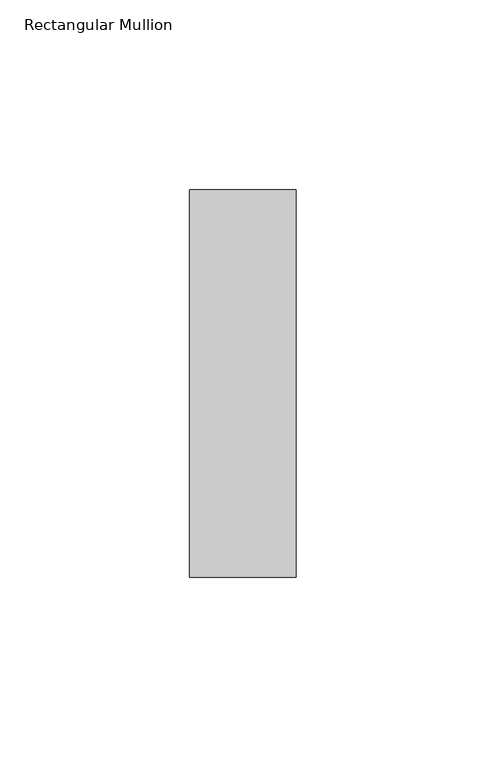
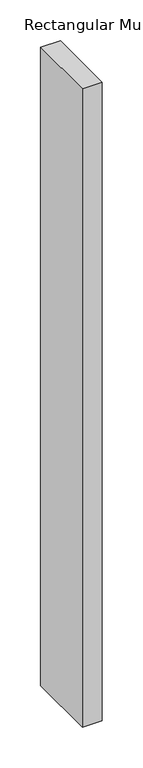
"""IFC4 building model written with IfcOpenShell, lengths in millimetres: member geometry, Rectangular Mullion."""

import ifcopenshell
import ifcopenshell.guid

model = None  # the IFC model being written
_history = None  # IfcOwnerHistory: only IFC2X3 demands one
_inside = {}  # id of a spatial element -> (the spatial element, [elements in it])
_under = {}  # id of a project, library or spatial element -> (it, [spatial elements below it])
_declared = {}  # id of a project -> (the project, [libraries it declares])
_typed = {}  # id of a type object -> (the type object, [elements of that type])
_made_of = {}  # id of a material, layer set ... -> (it, [elements and type objects made of it])


def new_model(schema):
    """Start an empty IFC model of exactly this schema.

    Asked for "IFC4X3", IfcOpenShell would pick the latest addendum, in which some entities
    have other attributes; the version numbers below select the first issue.
    IFC2X3 requires an IfcOwnerHistory on every rooted entity: one is made here for all.
    """
    global model, _history
    if schema == "IFC4X3":
        model = ifcopenshell.file(schema_version=(4, 3, 0, 0))
    else:
        model = ifcopenshell.file(schema=schema)
    _inside.clear()
    _under.clear()
    _declared.clear()
    _typed.clear()
    _made_of.clear()
    _history = None
    if model.schema == "IFC2X3":
        org = make("IfcOrganization", Name="unknown")
        user = make(
            "IfcPersonAndOrganization",
            ThePerson=make("IfcPerson", FamilyName="unknown"),
            TheOrganization=org,
        )
        app = make(
            "IfcApplication",
            ApplicationDeveloper=org,
            Version="unknown",
            ApplicationFullName="unknown",
            ApplicationIdentifier="unknown",
        )
        _history = make(
            "IfcOwnerHistory",
            OwningUser=user,
            OwningApplication=app,
            ChangeAction="ADDED",
            CreationDate=0,
        )
    return model


def make(cls, **values):
    """One entity of the class cls with the attributes given. An attribute that is None is left unset."""
    return model.create_entity(
        cls, **{name: value for name, value in values.items() if value is not None}
    )


def rooted(cls, **values):
    """An entity with a GlobalId (a new one), such as an element, a storey or a relation."""
    return make(cls, GlobalId=ifcopenshell.guid.new(), OwnerHistory=_history, **values)


def si_unit(unit_type, name, prefix=None):
    """IfcSIUnit, for example si_unit("LENGTHUNIT", "METRE", prefix="MILLI")."""
    return make("IfcSIUnit", UnitType=unit_type, Prefix=prefix, Name=name)


def assignment(units):
    """IfcUnitAssignment: the units of a project."""
    return None if units is None else make("IfcUnitAssignment", Units=units)


def point(xyz):
    """IfcCartesianPoint."""
    return None if xyz is None else make("IfcCartesianPoint", Coordinates=xyz)


def direction(xyz):
    """IfcDirection."""
    return None if xyz is None else make("IfcDirection", DirectionRatios=xyz)


def frame(location, z_axis=None, x_axis=None):
    """IfcAxis2Placement3D, a coordinate frame: its origin and axes. An axis left out is left unset."""
    return make(
        "IfcAxis2Placement3D",
        Location=point(location),
        Axis=direction(z_axis),
        RefDirection=direction(x_axis),
    )


def origin():
    """The frame at (0, 0, 0) with its axes left unset."""
    return frame((0.0, 0.0, 0.0))


def place(relative_to, where):
    """IfcLocalPlacement: puts the frame where relative to a parent placement (None: the world)."""
    return make(
        "IfcLocalPlacement", PlacementRelTo=relative_to, RelativePlacement=where
    )


def context(
    kind, dimensions, precision=None, world=None, true_north=None, identifier=None
):
    """IfcGeometricRepresentationContext, for example the 3D "Model" context."""
    return make(
        "IfcGeometricRepresentationContext",
        ContextIdentifier=identifier,
        ContextType=kind,
        CoordinateSpaceDimension=dimensions,
        Precision=precision,
        WorldCoordinateSystem=world,
        TrueNorth=true_north,
    )


def project(units=None, contexts=None):
    """IfcProject with its units and contexts."""
    return rooted(
        "IfcProject",
        Name="project",
        RepresentationContexts=contexts,
        UnitsInContext=assignment(units),
    )


def spatial(cls, under=None, at=None, **own):
    """A site, building, storey or space (cls), placed at a placement, below another one or the project."""
    s = rooted(cls, ObjectPlacement=at, **own)
    if under is not None:
        _under.setdefault(under.id(), (under, []))[1].append(s)
    return s


def polyline(points):
    """IfcPolyline through the points."""
    return make("IfcPolyline", Points=[point(p) for p in points])


def outline(outer, holes=None, kind="AREA"):
    """IfcArbitraryClosedProfileDef: a profile drawn as a closed curve; with holes, ...WithVoids."""
    if holes is None:
        return make("IfcArbitraryClosedProfileDef", ProfileType=kind, OuterCurve=outer)
    return make(
        "IfcArbitraryProfileDefWithVoids",
        ProfileType=kind,
        OuterCurve=outer,
        InnerCurves=holes,
    )


def extrude(swept, where, along, depth):
    """IfcExtrudedAreaSolid: the profile swept, set in the frame where, extruded along a direction by depth."""
    return make(
        "IfcExtrudedAreaSolid",
        SweptArea=swept,
        Position=where,
        ExtrudedDirection=direction(along),
        Depth=depth,
    )


def shape(context_of_items, identifier, shape_type, items):
    """IfcShapeRepresentation: the items that make up one representation, for example the "Body"."""
    return make(
        "IfcShapeRepresentation",
        ContextOfItems=context_of_items,
        RepresentationIdentifier=identifier,
        RepresentationType=shape_type,
        Items=items,
    )


def source(mapping_origin, context_of_items, identifier, shape_type, items):
    """IfcRepresentationMap: a shape defined once, which mapped items show again and again."""
    return make(
        "IfcRepresentationMap",
        MappingOrigin=mapping_origin,
        MappedRepresentation=shape(context_of_items, identifier, shape_type, items),
    )


def transform(
    local_origin,
    x_axis=None,
    y_axis=None,
    z_axis=None,
    scale=None,
    scale2=None,
    scale3=None,
    uniform=True,
):
    """IfcCartesianTransformationOperator3D, or its non-uniform kind. x_axis, y_axis, z_axis: its Axis1, 2, 3."""
    if uniform:
        return make(
            "IfcCartesianTransformationOperator3D",
            Axis1=direction(x_axis),
            Axis2=direction(y_axis),
            LocalOrigin=point(local_origin),
            Scale=scale,
            Axis3=direction(z_axis),
        )
    return make(
        "IfcCartesianTransformationOperator3DnonUniform",
        Axis1=direction(x_axis),
        Axis2=direction(y_axis),
        LocalOrigin=point(local_origin),
        Scale=scale,
        Axis3=direction(z_axis),
        Scale2=scale2,
        Scale3=scale3,
    )


def mapped(mapping_source, mapping_target):
    """IfcMappedItem: shows the shape of a source again, moved by a transform."""
    return make(
        "IfcMappedItem", MappingSource=mapping_source, MappingTarget=mapping_target
    )


def made_of(thing, what):
    """Note that an element or type object is made of a material, layer set ...; save() writes the relation."""
    if what is not None:
        _made_of.setdefault(what.id(), (what, []))[1].append(thing)
    return thing


def element(
    cls,
    number,
    at=None,
    inside=None,
    cuts=None,
    type_object=None,
    material=None,
    context=None,
    identifier="Body",
    shape_type=None,
    held_by="IfcProductDefinitionShape",
    body=None,
    shapes=None,
    **own,
):
    """One element of the class cls, such as IfcWall. Its Tag is "e" and its number.

    at: its placement. inside: the storey or other place that contains it. cuts: it is an
    opening in that element (IfcRelVoidsElement). A single representation is given by context,
    identifier, shape_type and body (its items); several are given by shapes. held_by: the class
    of the entity that holds the representations. save() writes the other relations.
    """
    e = rooted(cls, Tag="e%d" % number, ObjectPlacement=at, **own)
    if body is not None:
        shapes = [shape(context, identifier, shape_type, body)]
    if shapes is not None:
        e.Representation = make(held_by, Representations=shapes)
    if inside is not None:
        _inside.setdefault(inside.id(), (inside, []))[1].append(e)
    if cuts is not None:
        rooted(
            "IfcRelVoidsElement", RelatingBuildingElement=cuts, RelatedOpeningElement=e
        )
    if type_object is not None:
        _typed.setdefault(type_object.id(), (type_object, []))[1].append(e)
    return made_of(e, material)


def aggregate(whole, parts):
    """IfcRelAggregates: a whole, such as a stair, and the parts it consists of."""
    return rooted("IfcRelAggregates", RelatingObject=whole, RelatedObjects=parts)


def save(model, path):
    """Write the relations noted so far, then the file.

    IfcRelAggregates (storeys below a building ...), IfcRelContainedInSpatialStructure (elements
    in a storey), IfcRelDefinesByType, IfcRelAssociatesMaterial and IfcRelDeclares: one each for
    every whole, place, type object, material and project.
    """
    for whole, parts in _under.values():
        aggregate(whole, parts)
    for where, things in _inside.values():
        rooted(
            "IfcRelContainedInSpatialStructure",
            RelatedElements=things,
            RelatingStructure=where,
        )
    for kind, things in _typed.values():
        rooted("IfcRelDefinesByType", RelatedObjects=things, RelatingType=kind)
    for what, things in _made_of.values():
        rooted("IfcRelAssociatesMaterial", RelatedObjects=things, RelatingMaterial=what)
    for by, libraries in _declared.values():
        rooted("IfcRelDeclares", RelatingContext=by, RelatedDefinitions=libraries)
    model.write(path)


def rectangular_mullion_28336650(model_context):
    return source(origin(), model_context, "Body", "SweptSolid", [
        extrude(outline(polyline([(-28.0, -51.0), (-28.0, 51.0), (0.0, 51.0), (0.0, -51.0), (-28.0, -51.0)])), frame((0.0, 0.0, -954.0), z_axis=(0.0, 0.0, 1.0), x_axis=(1.0, 0.0, 0.0)), (0.0, 0.0, 1.0), 954.0),
    ])


if __name__ == "__main__":
    model = new_model("IFC4")
    model_context = context("Model", 3, world=origin())
    ifc_project = project(units=[si_unit("LENGTHUNIT", "METRE", prefix="MILLI")], contexts=[model_context])
    site = spatial("IfcSite", under=ifc_project)
    building = spatial("IfcBuilding", under=site)
    placement = place(None, origin())
    rectangular_mullion_shape = rectangular_mullion_28336650(model_context)
    element("IfcMember", 1, ObjectType="Rectangular Mullion", at=placement, inside=building, context=model_context, shape_type="MappedRepresentation", body=[
        mapped(rectangular_mullion_shape, transform((0.0, 0.0, 0.0), x_axis=(1.0, 0.0, 0.0), y_axis=(0.0, 1.0, 0.0), z_axis=(0.0, 0.0, 1.0))),
    ])
    save(model, "model.ifc")
